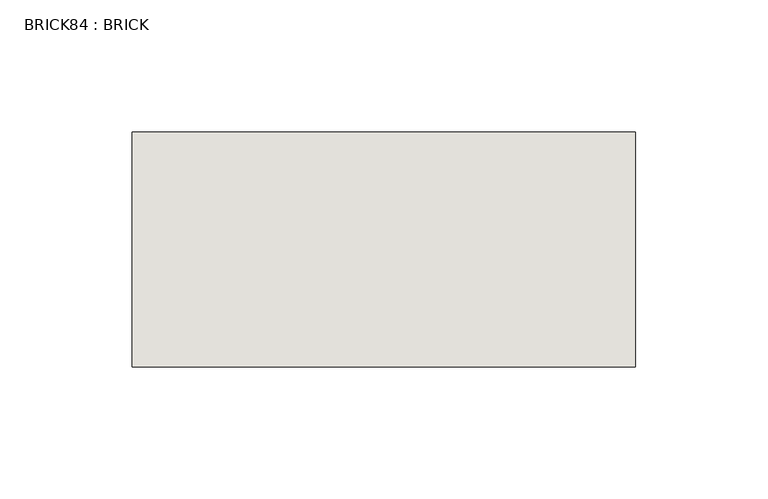
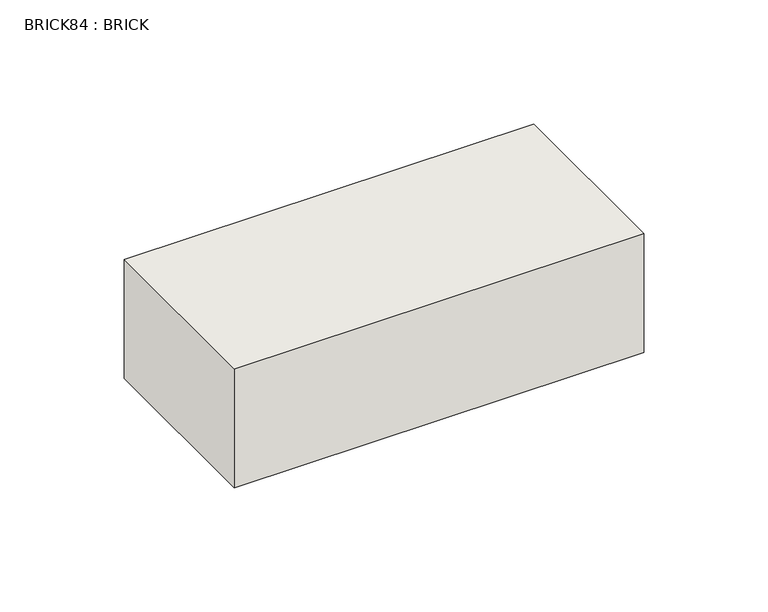
"""IFC4 building model written with IfcOpenShell, lengths in millimetres: wall geometry, BRICK84 : BRICK."""

from ifc_helpers import new_model, si_unit, frame, origin, place, context, project, spatial, polyline, outline, extrude, source, transform, mapped, element, save


def brick84_brick_d86d915f(model_context):
    return source(origin(), model_context, "Body", "SweptSolid", [
        extrude(outline(polyline([(1241.2530711, 2586.2274125), (1431.7530711, 2586.2274125), (1431.7530711, 2497.3274125), (1241.2530711, 2497.3274125), (1241.2530711, 2586.2274125)])), frame((0.0, 0.0, 74.3148438), z_axis=(0.0, 0.0, 1.0), x_axis=(1.0, 0.0, 0.0)), (0.0, 0.0, 1.0), 58.4398438),
    ])


if __name__ == "__main__":
    model = new_model("IFC4")
    model_context = context("Model", 3, world=origin())
    ifc_project = project(units=[si_unit("LENGTHUNIT", "METRE", prefix="MILLI")], contexts=[model_context])
    site = spatial("IfcSite", under=ifc_project)
    building = spatial("IfcBuilding", under=site)
    placement = place(None, origin())
    brick84_brick_shape = brick84_brick_d86d915f(model_context)
    element("IfcWall", 1, ObjectType="BRICK84 : BRICK", at=placement, inside=building, context=model_context, shape_type="MappedRepresentation", body=[
        mapped(brick84_brick_shape, transform((0.0, 0.0, 0.0), x_axis=(1.0, 0.0, 0.0), y_axis=(0.0, 1.0, 0.0), z_axis=(0.0, 0.0, 1.0))),
    ])
    save(model, "model.ifc")
